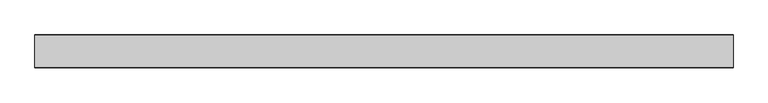
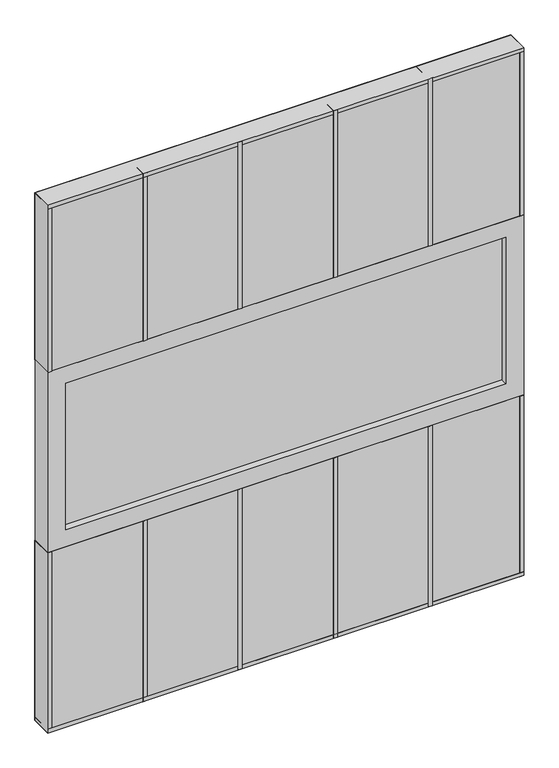
"""IFC4 building model written with IfcOpenShell, lengths in millimetres: plate geometry."""

from ifc_helpers import new_model, si_unit, frame, origin, origin_with_axes, place, context, project, spatial, polyline, outline, extrude, source, transform, mapped, element, save


def plate_1fc4a88f(model_context):
    return source(origin(), model_context, "Body", "SweptSolid", [
        extrude(outline(polyline([(762.0, 34.925), (762.0, -34.925), (-762.0, -34.925), (-762.0, 34.925), (762.0, 34.925)])), origin_with_axes(), (0.0, 0.0, 1.0), 609.6),
        extrude(outline(polyline([(-704.85, 12.7), (704.85, 12.7), (704.85, -12.7), (-704.85, -12.7), (-704.85, 12.7)])), frame((0.0, 0.0, 666.75), z_axis=(0.0, 0.0, 1.0), x_axis=(1.0, 0.0, 0.0)), (0.0, 0.0, 1.0), 495.3),
        extrude(outline(polyline([(1219.2, -762.0), (609.6, -762.0), (609.6, 762.0), (1219.2, 762.0), (1219.2, -762.0)]), holes=[polyline([(1162.05, 704.85), (666.75, 704.85), (666.75, -704.85), (1162.05, -704.85), (1162.05, 704.85)])]), frame((0.0, -34.925, 0.0), z_axis=(0.0, 1.0, 0.0), x_axis=(0.0, 0.0, 1.0)), (0.0, 0.0, 1.0), 69.85),
        extrude(outline(polyline([(762.0, 34.925), (762.0, -34.925), (-762.0, -34.925), (-762.0, 34.925), (762.0, 34.925)])), frame((0.0, 0.0, 1219.2), z_axis=(0.0, 0.0, 1.0), x_axis=(1.0, 0.0, 0.0)), (0.0, 0.0, 1.0), 565.15),
        extrude(outline(polyline([(469.9, 35.71875), (469.9, -35.71875), (457.2, -35.71875), (457.2, 35.71875), (469.9, 35.71875)])), origin_with_axes(), (0.0, 0.0, 1.0), 609.6),
        extrude(outline(polyline([(165.1, 35.71875), (165.1, -35.71875), (152.4, -35.71875), (152.4, 35.71875), (165.1, 35.71875)])), origin_with_axes(), (0.0, 0.0, 1.0), 609.6),
        extrude(outline(polyline([(469.9, 35.71875), (469.9, -35.71875), (457.2, -35.71875), (457.2, 35.71875), (469.9, 35.71875)])), frame((0.0, 0.0, 1219.2), z_axis=(0.0, 0.0, 1.0), x_axis=(1.0, 0.0, 0.0)), (0.0, 0.0, 1.0), 565.15),
        extrude(outline(polyline([(165.1, 35.71875), (165.1, -35.71875), (152.4, -35.71875), (152.4, 35.71875), (165.1, 35.71875)])), frame((0.0, 0.0, 1219.2), z_axis=(0.0, 0.0, 1.0), x_axis=(1.0, 0.0, 0.0)), (0.0, 0.0, 1.0), 565.15),
        extrude(outline(polyline([(-139.7, 35.71875), (-139.7, -35.71875), (-152.4, -35.71875), (-152.4, 35.71875), (-139.7, 35.71875)])), origin_with_axes(), (0.0, 0.0, 1.0), 609.6),
        extrude(outline(polyline([(-139.7, 35.71875), (-139.7, -35.71875), (-152.4, -35.71875), (-152.4, 35.71875), (-139.7, 35.71875)])), frame((0.0, 0.0, 1219.2), z_axis=(0.0, 0.0, 1.0), x_axis=(1.0, 0.0, 0.0)), (0.0, 0.0, 1.0), 565.15),
        extrude(outline(polyline([(762.0, 35.71875), (762.0, -35.71875), (-762.0, -35.71875), (-762.0, 35.71875), (762.0, 35.71875)])), origin_with_axes(), (0.0, 0.0, 1.0), 12.7),
        extrude(outline(polyline([(-444.5, 35.71875), (-444.5, -35.71875), (-457.2, -35.71875), (-457.2, 35.71875), (-444.5, 35.71875)])), origin_with_axes(), (0.0, 0.0, 1.0), 609.6),
        extrude(outline(polyline([(749.3, 35.71875), (762.0, 35.71875), (762.0, -35.71875), (749.3, -35.71875), (749.3, 35.71875)])), origin_with_axes(), (0.0, 0.0, 1.0), 609.6),
        extrude(outline(polyline([(-749.3, 35.71875), (-749.3, -35.71875), (-762.0, -35.71875), (-762.0, 35.71875), (-749.3, 35.71875)])), origin_with_axes(), (0.0, 0.0, 1.0), 609.6),
        extrude(outline(polyline([(762.0, 35.71875), (762.0, -35.71875), (-762.0, -35.71875), (-762.0, 35.71875), (762.0, 35.71875)])), frame((0.0, 0.0, 1771.65), z_axis=(0.0, 0.0, 1.0), x_axis=(1.0, 0.0, 0.0)), (0.0, 0.0, 1.0), 12.7),
        extrude(outline(polyline([(-444.5, 35.71875), (-444.5, -35.71875), (-457.2, -35.71875), (-457.2, 35.71875), (-444.5, 35.71875)])), frame((0.0, 0.0, 1219.2), z_axis=(0.0, 0.0, 1.0), x_axis=(1.0, 0.0, 0.0)), (0.0, 0.0, 1.0), 565.15),
        extrude(outline(polyline([(762.0, 35.71875), (762.0, -35.71875), (749.3, -35.71875), (749.3, 35.71875), (762.0, 35.71875)])), frame((0.0, 0.0, 1219.2), z_axis=(0.0, 0.0, 1.0), x_axis=(1.0, 0.0, 0.0)), (0.0, 0.0, 1.0), 565.15),
        extrude(outline(polyline([(-749.3, 35.71875), (-749.3, -35.71875), (-762.0, -35.71875), (-762.0, 35.71875), (-749.3, 35.71875)])), frame((0.0, 0.0, 1219.2), z_axis=(0.0, 0.0, 1.0), x_axis=(1.0, 0.0, 0.0)), (0.0, 0.0, 1.0), 565.15),
    ])


if __name__ == "__main__":
    model = new_model("IFC4")
    model_context = context("Model", 3, world=origin())
    ifc_project = project(units=[si_unit("LENGTHUNIT", "METRE", prefix="MILLI")], contexts=[model_context])
    site = spatial("IfcSite", under=ifc_project)
    building = spatial("IfcBuilding", under=site)
    placement = place(None, origin())
    plate_shape = plate_1fc4a88f(model_context)
    element("IfcPlate", 1, at=placement, inside=building, context=model_context, shape_type="MappedRepresentation", body=[
        mapped(plate_shape, transform((0.0, 0.0, 0.0), x_axis=(1.0, 0.0, 0.0), y_axis=(0.0, 1.0, 0.0), z_axis=(0.0, 0.0, 1.0))),
    ])
    save(model, "model.ifc")
